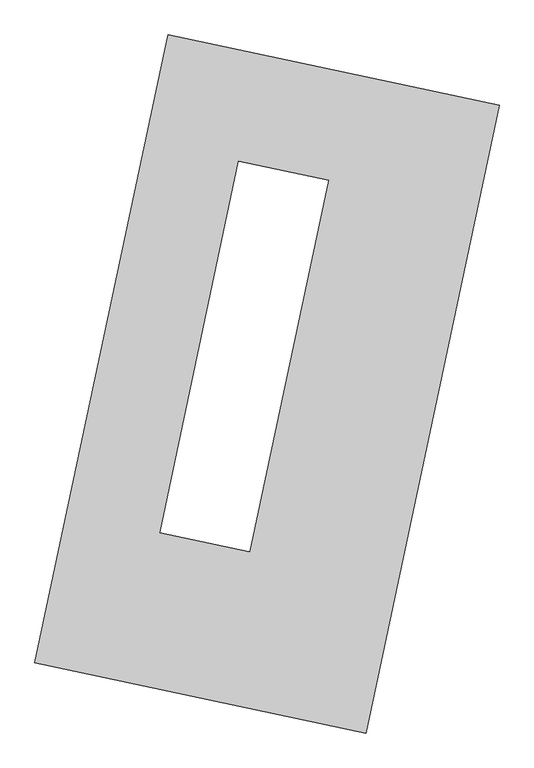
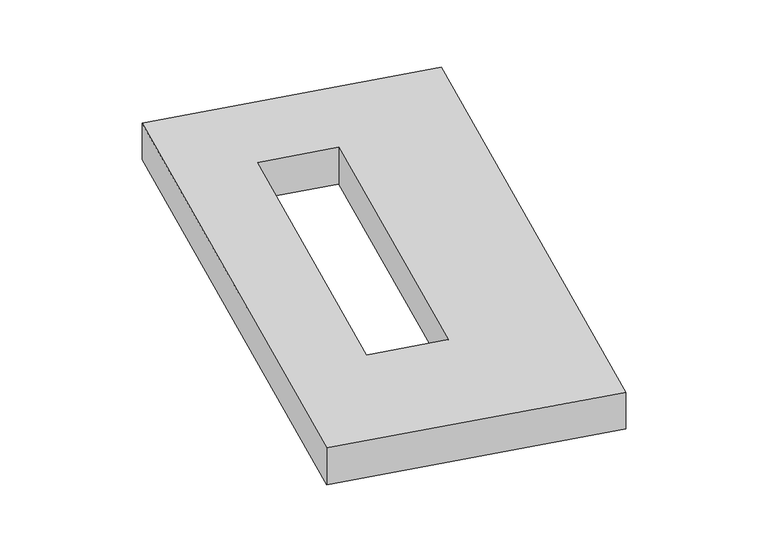
"""IFC4 building model written with IfcOpenShell, lengths in millimetres: proxy geometry."""

from ifc_helpers import new_model, si_unit, origin, origin_with_axes, place, context, project, spatial, polyline, outline, extrude, source, transform, mapped, element, save


def generic_models_3c5d261d(model_context):
    return source(origin(), model_context, "Body", "SweptSolid", [
        extrude(outline(polyline([(-617.3692021, 2175.5580432), (1447.7508745, 1737.3010494), (617.3692021, -2175.5580432), (-1447.7508745, -1737.3010494), (-617.3692021, 2175.5580432)]), holes=[polyline([(383.4832017, 1269.9225373), (-176.0534962, 1388.6666597), (-667.4292747, -926.7555694), (-107.8925768, -1045.4996918), (383.4832017, 1269.9225373)])]), origin_with_axes(), (0.0, 0.0, 1.0), 300.0),
    ])


if __name__ == "__main__":
    model = new_model("IFC4")
    model_context = context("Model", 3, world=origin())
    ifc_project = project(units=[si_unit("LENGTHUNIT", "METRE", prefix="MILLI")], contexts=[model_context])
    site = spatial("IfcSite", under=ifc_project)
    building = spatial("IfcBuilding", under=site)
    placement = place(None, origin())
    generic_models_shape = generic_models_3c5d261d(model_context)
    element("IfcBuildingElementProxy", 1, Name="Generic Models", at=placement, inside=building, context=model_context, shape_type="MappedRepresentation", body=[
        mapped(generic_models_shape, transform((0.0, 0.0, 0.0), x_axis=(1.0, 0.0, 0.0), y_axis=(0.0, 1.0, 0.0), z_axis=(0.0, 0.0, 1.0))),
    ])
    save(model, "model.ifc")
